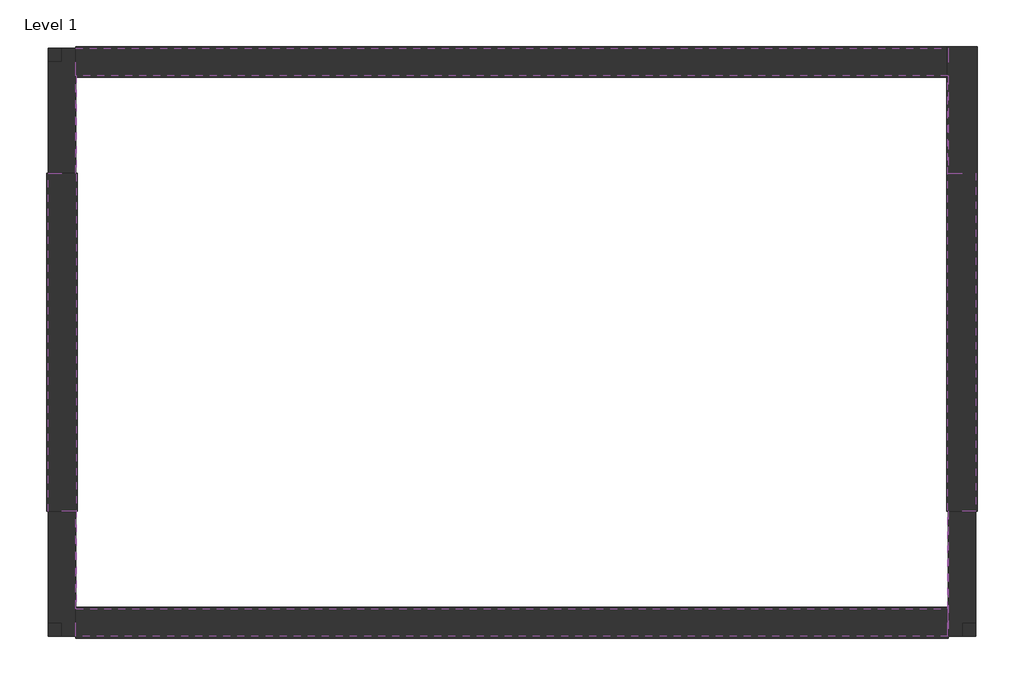
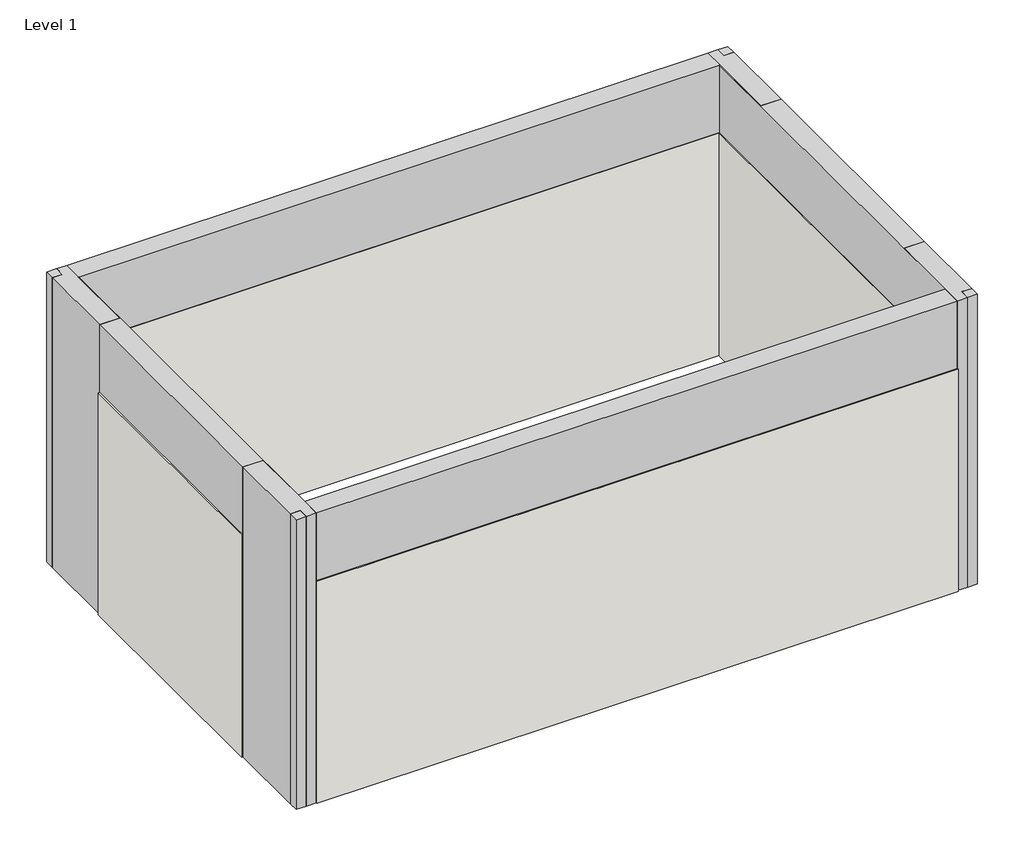
# One storey: 4 beams, 4 columns, 4 walls.
"""IFC4 building model written with IfcOpenShell, lengths in millimetres."""

from ifc_helpers import new_model, si_unit, frame, origin, origin_with_axes, place, context, project, spatial, polyline, outline, extrude, faceted_brep, element, save

model = new_model("IFC4")

# Units and contexts
model_context = context("Model", 3, world=origin())
ifc_project = project(units=[si_unit("LENGTHUNIT", "METRE", prefix="MILLI")], contexts=[model_context])

# Site, building, storey
site = spatial("IfcSite", under=ifc_project)
building = spatial("IfcBuilding", under=site)
storey = spatial("IfcBuildingStorey", under=building, Name="Level 1", Elevation=0.0)

# Beams
placement = place(None, origin())
element("IfcBeam", 1, ObjectType="Concrete-Rectangular Beam : 8 x 28", at=placement, inside=storey, context=model_context, shape_type="Brep", body=[
    faceted_brep([(-214.7069565, 1832.6170354, 3048.0), (-214.7069565, 1629.4170354, 3048.0), (-211.5069565, 1629.4170354, 3048.0), (6159.0678132, 1629.4170354, 3048.0), (6162.2678132, 1629.4170354, 3048.0), (6162.2678132, 1832.6170354, 3048.0), (-214.7069565, 1629.4170354, 2336.8), (-211.5069565, 1629.4170354, 2336.8), (6159.0678132, 1629.4170354, 2336.8), (6162.2678132, 1629.4170354, 2336.8), (-214.7069565, 1832.6170354, 2336.8), (6162.2678132, 1832.6170354, 2336.8)], [[[0, 1, 2, 3, 4, 5]], [[1, 6, 7, 8, 9, 4, 3, 2]], [[6, 10, 11, 9, 8, 7]], [[10, 0, 5, 11]], [[1, 0, 10, 6]], [[5, 4, 9, 11]]]),
])
element("IfcBeam", 2, ObjectType="Concrete-Rectangular Beam : 8 x 28", at=placement, inside=storey, context=model_context, shape_type="Brep", body=[
    faceted_brep([(6159.0678132, 1629.4170354, 3048.0), (6159.0678132, -2261.8434519, 3048.0), (6159.0678132, -2465.0434519, 3048.0), (6162.2678132, -2465.0434519, 3048.0), (6162.2678132, -1550.0434519, 3048.0), (6362.2678132, -1550.0434519, 3048.0), (6362.2678132, 917.6170354, 3048.0), (6162.2678132, 917.6170354, 3048.0), (6162.2678132, 1629.4170354, 3048.0), (6159.0678132, -2465.0434519, 2336.8), (6159.0678132, 1629.4170354, 2336.8), (6159.0678132, -2261.8434519, 2336.8), (6162.2678132, 1629.4170354, 2336.8), (6162.2678132, 917.6170354, 2336.8), (6362.2678132, 917.6170354, 2336.8), (6362.2678132, -1550.0434519, 2336.8), (6162.2678132, -1550.0434519, 2336.8), (6162.2678132, -2465.0434519, 2336.8)], [[[0, 1, 2, 3, 4, 5, 6, 7, 8]], [[9, 2, 1, 0, 10, 11]], [[9, 11, 10, 12, 13, 14, 15, 16, 17]], [[14, 6, 5, 15]], [[2, 9, 17, 3]], [[10, 0, 8, 12]], [[13, 7, 6, 14]], [[7, 13, 12, 8]], [[4, 16, 15, 5]], [[16, 4, 3, 17]]]),
])
element("IfcBeam", 3, ObjectType="Concrete-Rectangular Beam : 8 x 28", at=placement, inside=storey, context=model_context, shape_type="Brep", body=[
    faceted_brep([(-214.7069565, -2261.8434519, 3048.0), (-214.7069565, -2465.0434519, 3048.0), (6159.0678132, -2465.0434519, 3048.0), (6159.0678132, -2261.8434519, 3048.0), (-211.5069565, -2261.8434519, 3048.0), (-214.7069565, -2261.8434519, 2336.8), (6159.0678132, -2261.8434519, 2336.8), (-211.5069565, -2261.8434519, 2336.8), (-214.7069565, -2465.0434519, 2336.8), (6159.0678132, -2465.0434519, 2336.8)], [[[0, 1, 2, 3, 4]], [[5, 0, 4, 3, 6, 7]], [[8, 5, 7, 6, 9]], [[1, 8, 9, 2]], [[1, 0, 5, 8]], [[3, 2, 9, 6]]]),
])
element("IfcBeam", 4, ObjectType="Concrete-Rectangular Beam : 8 x 28", at=placement, inside=storey, context=model_context, shape_type="SweptSolid", body=[
    extrude(outline(polyline([(-214.7069565, 1629.4170354), (-211.5069565, 1629.4170354), (-211.5069565, -2261.8434519), (-214.7069565, -2261.8434519), (-214.7069565, -1550.0434519), (-414.7069565, -1550.0434519), (-414.7069565, 917.6170354), (-214.7069565, 917.6170354), (-214.7069565, 1629.4170354)])), frame((0.0, 0.0, 2336.8), z_axis=(0.0, 0.0, 1.0), x_axis=(1.0, 0.0, 0.0)), (0.0, 0.0, 1.0), 711.2),
])

# Columns
element("IfcColumn", 5, ObjectType="Concrete-Rectangular-Column : 200 x 915", at=placement, inside=storey, context=model_context, shape_type="SweptSolid", body=[
    extrude(outline(polyline([(-214.7069565, 1832.6170354), (-214.7069565, 917.6170354), (-414.7069565, 917.6170354), (-414.7069565, 1732.6170354), (-314.7069565, 1732.6170354), (-314.7069565, 1832.6170354), (-214.7069565, 1832.6170354)])), origin_with_axes(), (0.0, 0.0, 1.0), 3048.0),
    extrude(outline(polyline([(-414.7069565, 1832.6170354), (-314.7069565, 1832.6170354), (-314.7069565, 1732.6170354), (-414.7069565, 1732.6170354), (-414.7069565, 1832.6170354)])), origin_with_axes(), (0.0, 0.0, 1.0), 3048.0),
])
element("IfcColumn", 6, ObjectType="Concrete-Rectangular-Column : 200 x 915", at=placement, inside=storey, context=model_context, shape_type="SweptSolid", body=[
    extrude(outline(polyline([(6162.2678132, 1832.6170354), (6262.2678132, 1832.6170354), (6262.2678132, 1732.6170354), (6362.2678132, 1732.6170354), (6362.2678132, 917.6170354), (6162.2678132, 917.6170354), (6162.2678132, 1832.6170354)])), origin_with_axes(), (0.0, 0.0, 1.0), 3048.0),
    extrude(outline(polyline([(6362.2678132, 1832.6170354), (6362.2678132, 1732.6170354), (6262.2678132, 1732.6170354), (6262.2678132, 1832.6170354), (6362.2678132, 1832.6170354)])), origin_with_axes(), (0.0, 0.0, 1.0), 3048.0),
])
element("IfcColumn", 7, ObjectType="Concrete-Rectangular-Column : 200 x 915", at=placement, inside=storey, context=model_context, shape_type="SweptSolid", body=[
    extrude(outline(polyline([(-214.7069565, -2465.0434519), (-314.7069565, -2465.0434519), (-314.7069565, -2365.0434519), (-414.7069565, -2365.0434519), (-414.7069565, -1550.0434519), (-214.7069565, -1550.0434519), (-214.7069565, -2465.0434519)])), origin_with_axes(), (0.0, 0.0, 1.0), 3048.0),
    extrude(outline(polyline([(-414.7069565, -2465.0434519), (-414.7069565, -2365.0434519), (-314.7069565, -2365.0434519), (-314.7069565, -2465.0434519), (-414.7069565, -2465.0434519)])), origin_with_axes(), (0.0, 0.0, 1.0), 3048.0),
])
element("IfcColumn", 8, ObjectType="Concrete-Rectangular-Column : 200 x 915", at=placement, inside=storey, context=model_context, shape_type="SweptSolid", body=[
    extrude(outline(polyline([(6162.2678132, -2465.0434519), (6162.2678132, -1550.0434519), (6362.2678132, -1550.0434519), (6362.2678132, -2365.0434519), (6262.2678132, -2365.0434519), (6262.2678132, -2465.0434519), (6162.2678132, -2465.0434519)])), origin_with_axes(), (0.0, 0.0, 1.0), 3048.0),
    extrude(outline(polyline([(6362.2678132, -2465.0434519), (6262.2678132, -2465.0434519), (6262.2678132, -2365.0434519), (6362.2678132, -2365.0434519), (6362.2678132, -2465.0434519)])), origin_with_axes(), (0.0, 0.0, 1.0), 3048.0),
])

# Walls
element("IfcWall", 9, ObjectType="Brick - 200mm Ext", at=placement, inside=storey, context=model_context, shape_type="SweptSolid", body=[
    extrude(outline(polyline([(6150.2678132, 1620.6170354), (-214.7069565, 1620.6170354), (-214.7069565, 1844.6170354), (6150.2678132, 1844.6170354), (6150.2678132, 1620.6170354)])), origin_with_axes(), (0.0, 0.0, 1.0), 2336.8),
])
element("IfcWall", 10, ObjectType="Brick - 200mm Ext", at=placement, inside=storey, context=model_context, shape_type="SweptSolid", body=[
    extrude(outline(polyline([(-202.7069565, 917.6170354), (-202.7069565, -1550.0434519), (-426.7069565, -1550.0434519), (-426.7069565, 917.6170354), (-202.7069565, 917.6170354)])), origin_with_axes(), (0.0, 0.0, 1.0), 2336.8),
])
element("IfcWall", 11, ObjectType="Brick - 200mm Ext", at=placement, inside=storey, context=model_context, shape_type="SweptSolid", body=[
    extrude(outline(polyline([(-214.7069565, -2253.0434519), (6162.2678132, -2253.0434519), (6162.2678132, -2477.0434519), (-214.7069565, -2477.0434519), (-214.7069565, -2253.0434519)])), origin_with_axes(), (0.0, 0.0, 1.0), 2336.8),
])
element("IfcWall", 12, ObjectType="Brick - 200mm Ext", at=placement, inside=storey, context=model_context, shape_type="Brep", body=[
    faceted_brep([(6150.2678132, 1844.6170354, 0.0), (6150.2678132, 1620.6170354, 0.0), (6150.2678132, -1550.0434519, 0.0), (6150.2678132, -1550.0434519, 2336.8), (6150.2678132, 1620.6170354, 2336.8), (6150.2678132, 1844.6170354, 2336.8), (6374.2678132, 1844.6170354, 0.0), (6374.2678132, 1844.6170354, 2336.8), (6374.2678132, -1550.0434519, 2336.8), (6374.2678132, -1550.0434519, 0.0)], [[[0, 1, 2, 3, 4, 5]], [[6, 7, 8, 9]], [[2, 1, 0, 6, 9]], [[3, 2, 9, 8]], [[5, 4, 3, 8, 7]], [[0, 5, 7, 6]]]),
])

save(model, "model.ifc")
